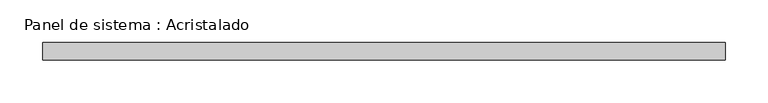
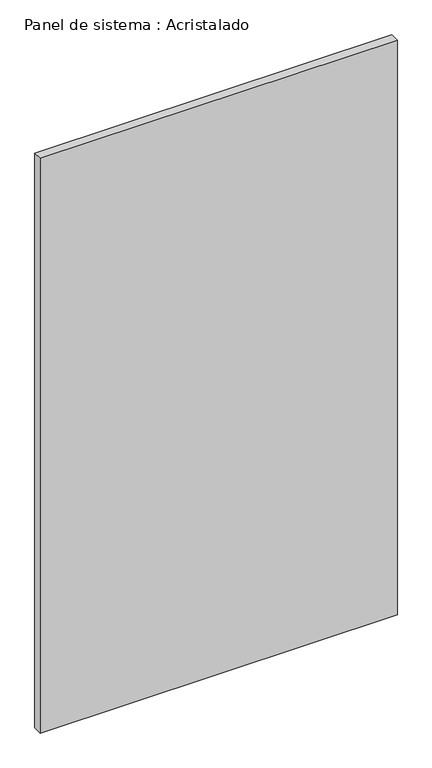
"""IFC4 building model written with IfcOpenShell, lengths in millimetres: plate geometry, Panel de sistema : Acristalado."""

import ifcopenshell
import ifcopenshell.guid

model = None  # the IFC model being written
_history = None  # IfcOwnerHistory: only IFC2X3 demands one
_inside = {}  # id of a spatial element -> (the spatial element, [elements in it])
_under = {}  # id of a project, library or spatial element -> (it, [spatial elements below it])
_declared = {}  # id of a project -> (the project, [libraries it declares])
_typed = {}  # id of a type object -> (the type object, [elements of that type])
_made_of = {}  # id of a material, layer set ... -> (it, [elements and type objects made of it])


def new_model(schema):
    """Start an empty IFC model of exactly this schema.

    Asked for "IFC4X3", IfcOpenShell would pick the latest addendum, in which some entities
    have other attributes; the version numbers below select the first issue.
    IFC2X3 requires an IfcOwnerHistory on every rooted entity: one is made here for all.
    """
    global model, _history
    if schema == "IFC4X3":
        model = ifcopenshell.file(schema_version=(4, 3, 0, 0))
    else:
        model = ifcopenshell.file(schema=schema)
    _inside.clear()
    _under.clear()
    _declared.clear()
    _typed.clear()
    _made_of.clear()
    _history = None
    if model.schema == "IFC2X3":
        org = make("IfcOrganization", Name="unknown")
        user = make(
            "IfcPersonAndOrganization",
            ThePerson=make("IfcPerson", FamilyName="unknown"),
            TheOrganization=org,
        )
        app = make(
            "IfcApplication",
            ApplicationDeveloper=org,
            Version="unknown",
            ApplicationFullName="unknown",
            ApplicationIdentifier="unknown",
        )
        _history = make(
            "IfcOwnerHistory",
            OwningUser=user,
            OwningApplication=app,
            ChangeAction="ADDED",
            CreationDate=0,
        )
    return model


def make(cls, **values):
    """One entity of the class cls with the attributes given. An attribute that is None is left unset."""
    return model.create_entity(
        cls, **{name: value for name, value in values.items() if value is not None}
    )


def rooted(cls, **values):
    """An entity with a GlobalId (a new one), such as an element, a storey or a relation."""
    return make(cls, GlobalId=ifcopenshell.guid.new(), OwnerHistory=_history, **values)


def si_unit(unit_type, name, prefix=None):
    """IfcSIUnit, for example si_unit("LENGTHUNIT", "METRE", prefix="MILLI")."""
    return make("IfcSIUnit", UnitType=unit_type, Prefix=prefix, Name=name)


def assignment(units):
    """IfcUnitAssignment: the units of a project."""
    return None if units is None else make("IfcUnitAssignment", Units=units)


def point(xyz):
    """IfcCartesianPoint."""
    return None if xyz is None else make("IfcCartesianPoint", Coordinates=xyz)


def direction(xyz):
    """IfcDirection."""
    return None if xyz is None else make("IfcDirection", DirectionRatios=xyz)


def frame(location, z_axis=None, x_axis=None):
    """IfcAxis2Placement3D, a coordinate frame: its origin and axes. An axis left out is left unset."""
    return make(
        "IfcAxis2Placement3D",
        Location=point(location),
        Axis=direction(z_axis),
        RefDirection=direction(x_axis),
    )


def origin():
    """The frame at (0, 0, 0) with its axes left unset."""
    return frame((0.0, 0.0, 0.0))


def origin_with_axes():
    """The frame at (0, 0, 0) with the z axis (0, 0, 1) and the x axis (1, 0, 0) written out."""
    return frame((0.0, 0.0, 0.0), z_axis=(0.0, 0.0, 1.0), x_axis=(1.0, 0.0, 0.0))


def place(relative_to, where):
    """IfcLocalPlacement: puts the frame where relative to a parent placement (None: the world)."""
    return make(
        "IfcLocalPlacement", PlacementRelTo=relative_to, RelativePlacement=where
    )


def context(
    kind, dimensions, precision=None, world=None, true_north=None, identifier=None
):
    """IfcGeometricRepresentationContext, for example the 3D "Model" context."""
    return make(
        "IfcGeometricRepresentationContext",
        ContextIdentifier=identifier,
        ContextType=kind,
        CoordinateSpaceDimension=dimensions,
        Precision=precision,
        WorldCoordinateSystem=world,
        TrueNorth=true_north,
    )


def project(units=None, contexts=None):
    """IfcProject with its units and contexts."""
    return rooted(
        "IfcProject",
        Name="project",
        RepresentationContexts=contexts,
        UnitsInContext=assignment(units),
    )


def spatial(cls, under=None, at=None, **own):
    """A site, building, storey or space (cls), placed at a placement, below another one or the project."""
    s = rooted(cls, ObjectPlacement=at, **own)
    if under is not None:
        _under.setdefault(under.id(), (under, []))[1].append(s)
    return s


def polyline(points):
    """IfcPolyline through the points."""
    return make("IfcPolyline", Points=[point(p) for p in points])


def outline(outer, holes=None, kind="AREA"):
    """IfcArbitraryClosedProfileDef: a profile drawn as a closed curve; with holes, ...WithVoids."""
    if holes is None:
        return make("IfcArbitraryClosedProfileDef", ProfileType=kind, OuterCurve=outer)
    return make(
        "IfcArbitraryProfileDefWithVoids",
        ProfileType=kind,
        OuterCurve=outer,
        InnerCurves=holes,
    )


def extrude(swept, where, along, depth):
    """IfcExtrudedAreaSolid: the profile swept, set in the frame where, extruded along a direction by depth."""
    return make(
        "IfcExtrudedAreaSolid",
        SweptArea=swept,
        Position=where,
        ExtrudedDirection=direction(along),
        Depth=depth,
    )


def shape(context_of_items, identifier, shape_type, items):
    """IfcShapeRepresentation: the items that make up one representation, for example the "Body"."""
    return make(
        "IfcShapeRepresentation",
        ContextOfItems=context_of_items,
        RepresentationIdentifier=identifier,
        RepresentationType=shape_type,
        Items=items,
    )


def source(mapping_origin, context_of_items, identifier, shape_type, items):
    """IfcRepresentationMap: a shape defined once, which mapped items show again and again."""
    return make(
        "IfcRepresentationMap",
        MappingOrigin=mapping_origin,
        MappedRepresentation=shape(context_of_items, identifier, shape_type, items),
    )


def transform(
    local_origin,
    x_axis=None,
    y_axis=None,
    z_axis=None,
    scale=None,
    scale2=None,
    scale3=None,
    uniform=True,
):
    """IfcCartesianTransformationOperator3D, or its non-uniform kind. x_axis, y_axis, z_axis: its Axis1, 2, 3."""
    if uniform:
        return make(
            "IfcCartesianTransformationOperator3D",
            Axis1=direction(x_axis),
            Axis2=direction(y_axis),
            LocalOrigin=point(local_origin),
            Scale=scale,
            Axis3=direction(z_axis),
        )
    return make(
        "IfcCartesianTransformationOperator3DnonUniform",
        Axis1=direction(x_axis),
        Axis2=direction(y_axis),
        LocalOrigin=point(local_origin),
        Scale=scale,
        Axis3=direction(z_axis),
        Scale2=scale2,
        Scale3=scale3,
    )


def mapped(mapping_source, mapping_target):
    """IfcMappedItem: shows the shape of a source again, moved by a transform."""
    return make(
        "IfcMappedItem", MappingSource=mapping_source, MappingTarget=mapping_target
    )


def made_of(thing, what):
    """Note that an element or type object is made of a material, layer set ...; save() writes the relation."""
    if what is not None:
        _made_of.setdefault(what.id(), (what, []))[1].append(thing)
    return thing


def element(
    cls,
    number,
    at=None,
    inside=None,
    cuts=None,
    type_object=None,
    material=None,
    context=None,
    identifier="Body",
    shape_type=None,
    held_by="IfcProductDefinitionShape",
    body=None,
    shapes=None,
    **own,
):
    """One element of the class cls, such as IfcWall. Its Tag is "e" and its number.

    at: its placement. inside: the storey or other place that contains it. cuts: it is an
    opening in that element (IfcRelVoidsElement). A single representation is given by context,
    identifier, shape_type and body (its items); several are given by shapes. held_by: the class
    of the entity that holds the representations. save() writes the other relations.
    """
    e = rooted(cls, Tag="e%d" % number, ObjectPlacement=at, **own)
    if body is not None:
        shapes = [shape(context, identifier, shape_type, body)]
    if shapes is not None:
        e.Representation = make(held_by, Representations=shapes)
    if inside is not None:
        _inside.setdefault(inside.id(), (inside, []))[1].append(e)
    if cuts is not None:
        rooted(
            "IfcRelVoidsElement", RelatingBuildingElement=cuts, RelatedOpeningElement=e
        )
    if type_object is not None:
        _typed.setdefault(type_object.id(), (type_object, []))[1].append(e)
    return made_of(e, material)


def aggregate(whole, parts):
    """IfcRelAggregates: a whole, such as a stair, and the parts it consists of."""
    return rooted("IfcRelAggregates", RelatingObject=whole, RelatedObjects=parts)


def save(model, path):
    """Write the relations noted so far, then the file.

    IfcRelAggregates (storeys below a building ...), IfcRelContainedInSpatialStructure (elements
    in a storey), IfcRelDefinesByType, IfcRelAssociatesMaterial and IfcRelDeclares: one each for
    every whole, place, type object, material and project.
    """
    for whole, parts in _under.values():
        aggregate(whole, parts)
    for where, things in _inside.values():
        rooted(
            "IfcRelContainedInSpatialStructure",
            RelatedElements=things,
            RelatingStructure=where,
        )
    for kind, things in _typed.values():
        rooted("IfcRelDefinesByType", RelatedObjects=things, RelatingType=kind)
    for what, things in _made_of.values():
        rooted("IfcRelAssociatesMaterial", RelatedObjects=things, RelatingMaterial=what)
    for by, libraries in _declared.values():
        rooted("IfcRelDeclares", RelatingContext=by, RelatedDefinitions=libraries)
    model.write(path)


def panel_de_sistema_acristalado_2a7202e0(model_context):
    return source(origin(), model_context, "Body", "SweptSolid", [
        extrude(outline(polyline([(397.1666667, -10.0), (-397.1666667, -10.0), (-397.1666667, 10.0), (397.1666667, 10.0), (397.1666667, -10.0)])), origin_with_axes(), (0.0, 0.0, 1.0), 1350.0),
    ])


if __name__ == "__main__":
    model = new_model("IFC4")
    model_context = context("Model", 3, world=origin())
    ifc_project = project(units=[si_unit("LENGTHUNIT", "METRE", prefix="MILLI")], contexts=[model_context])
    site = spatial("IfcSite", under=ifc_project)
    building = spatial("IfcBuilding", under=site)
    placement = place(None, origin())
    panel_de_sistema_acristalado_shape = panel_de_sistema_acristalado_2a7202e0(model_context)
    element("IfcPlate", 1, ObjectType="Panel de sistema : Acristalado", at=placement, inside=building, context=model_context, shape_type="MappedRepresentation", body=[
        mapped(panel_de_sistema_acristalado_shape, transform((0.0, 0.0, 0.0), x_axis=(1.0, 0.0, 0.0), y_axis=(0.0, 1.0, 0.0), z_axis=(0.0, 0.0, 1.0))),
    ])
    save(model, "model.ifc")
